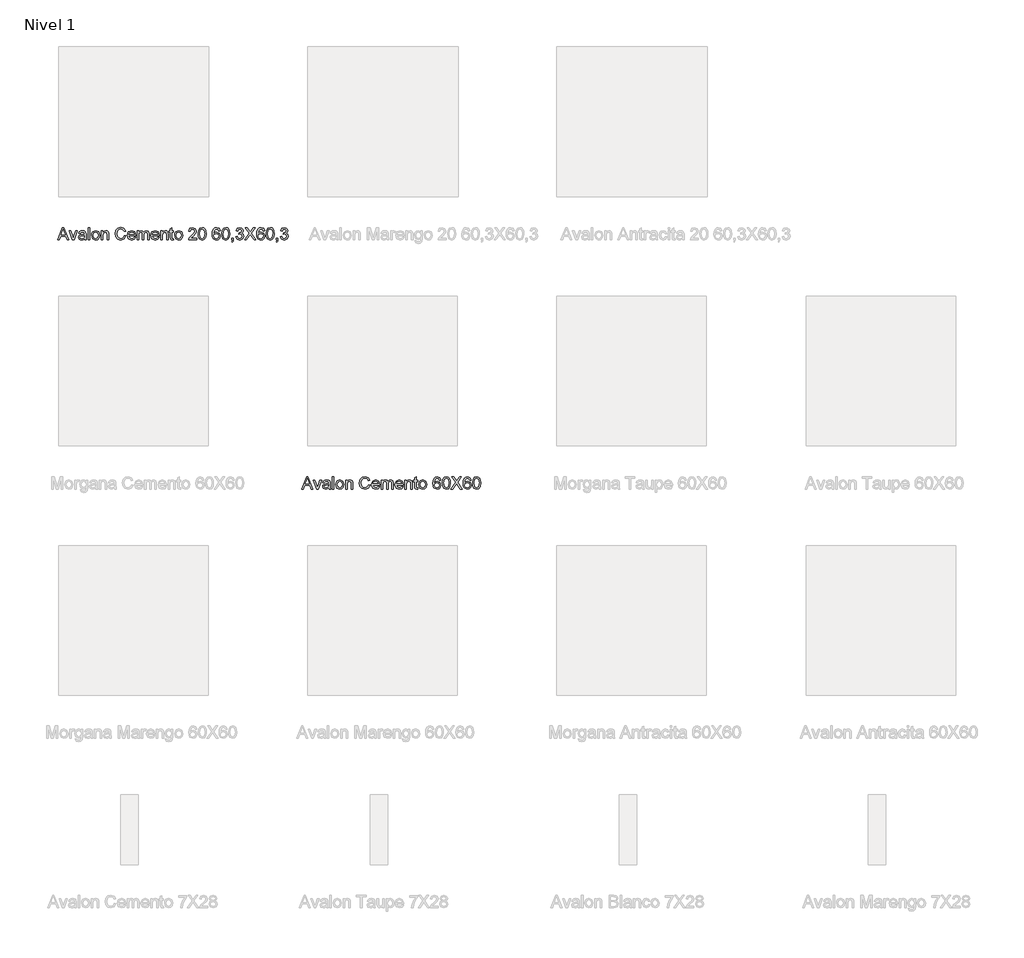
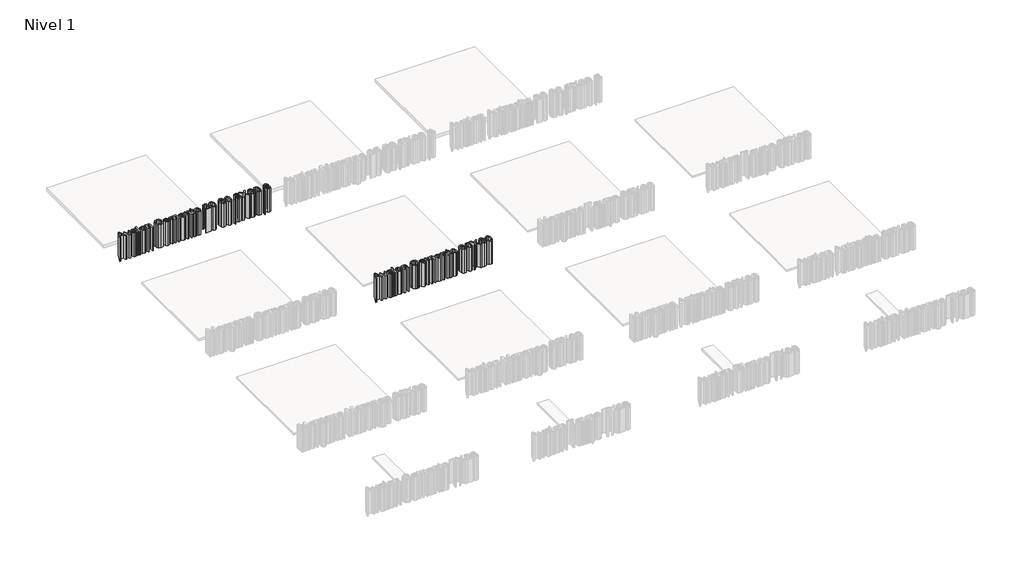
# One storey, part 8 of 11: 2 proxies.
"""IFC4 building model written with IfcOpenShell, lengths in millimetres."""

from ifc_helpers import new_model, si_unit, origin, origin_with_axes, place, context, project, spatial, polyline, outline, extrude, element, save

model = new_model("IFC4")

# Units and contexts
model_context = context("Model", 3, world=origin())
ifc_project = project(units=[si_unit("LENGTHUNIT", "METRE", prefix="MILLI")], contexts=[model_context])

# Site, building, storey
site = spatial("IfcSite", under=ifc_project)
building = spatial("IfcBuilding", under=site)
storey = spatial("IfcBuildingStorey", under=building, Name="Nivel 1", Elevation=0.0)

# Proxies
placement = place(None, origin())
element("IfcBuildingElementProxy", 1, Name="Texto de modelo 1", ObjectType="Texto de modelo 1", at=placement, inside=storey, context=model_context, shape_type="SweptSolid", body=[
    extrude(outline(polyline([(-4.1658234, -172.9229512), (15.4856189, -123.692182), (20.7260035, -123.692182), (40.3774458, -172.9229512), (33.875042, -172.9229512), (28.2380227, -157.5383359), (7.9615804, -157.5383359), (2.3365804, -172.9229512), (-4.1658234, -172.9229512)]), holes=[polyline([(10.2211958, -151.3844897), (25.9904266, -151.3844897), (21.5553304, -139.2811243), (18.1058112, -129.8460282), (15.0409073, -138.223432), (10.2211958, -151.3844897)])]), origin_with_axes(), (0.0, 0.0, 1.0), 150.0),
    extrude(outline(polyline([(55.0529266, -172.9229512), (42.3365804, -136.7691051), (48.8510035, -136.7691051), (56.5553304, -158.4277589), (58.875042, -165.7114128), (61.1466766, -158.8364128), (68.8990804, -136.7691051), (75.4135035, -136.7691051), (62.8534073, -172.9229512), (55.0529266, -172.9229512)])), origin_with_axes(), (0.0, 0.0, 1.0), 150.0),
    extrude(outline(polyline([(103.875042, -168.3075666), (97.9074939, -172.4782397), (91.3149458, -173.692182), (82.3786477, -170.7715089), (79.2596573, -163.3075666), (80.437542, -158.4397782), (83.5324939, -154.9061243), (87.8413881, -152.8868936), (93.1659073, -151.9614128), (103.8389843, -149.8460282), (102.1803304, -143.9325666), (95.3774458, -142.1537205), (89.1514843, -143.3376147), (86.1827343, -147.5383359), (80.0288881, -146.7691051), (82.6911477, -140.7594897), (88.0517246, -137.2378551), (96.170715, -135.9998743), (103.6286477, -137.0936243), (107.8413881, -139.8400186), (109.7284073, -144.0167012), (110.0288881, -149.4013166), (110.0288881, -157.0575666), (110.3413881, -167.7486724), (111.5673496, -172.9229512), (105.4135035, -172.9229512), (103.875042, -168.3075666)]), holes=[polyline([(103.875042, -155.9998743), (93.9471573, -157.8868936), (88.6526862, -158.8844897), (86.2548496, -160.5070859), (85.4135035, -162.8748743), (87.2464362, -166.2042012), (92.625042, -167.5383359), (98.8510035, -166.0659801), (102.8654266, -162.5022782), (103.8389843, -157.7426628), (103.875042, -155.9998743)])]), origin_with_axes(), (0.0, 0.0, 1.0), 150.0),
    extrude(outline(polyline([(118.4904266, -172.9229512), (118.4904266, -123.692182), (124.6442727, -123.692182), (124.6442727, -172.9229512), (118.4904266, -172.9229512)])), origin_with_axes(), (0.0, 0.0, 1.0), 150.0),
    extrude(outline(polyline([(132.3365804, -154.8460282), (133.6677102, -146.1290811), (137.6610996, -140.0022782), (148.5024458, -135.9998743), (160.1310516, -140.8736724), (164.6442727, -154.3412205), (162.6490804, -165.2907397), (156.8377823, -171.4866532), (148.5024458, -173.692182), (136.8017246, -168.8364128), (132.3365804, -154.8460282)]), holes=[polyline([(138.4904266, -154.8340089), (141.3389843, -164.3712686), (148.5024458, -167.5383359), (155.6418689, -164.3532397), (158.4904266, -154.6417012), (155.62384, -145.3207878), (148.5024458, -142.1537205), (141.3389843, -145.3087686), (138.4904266, -154.8340089)])]), origin_with_axes(), (0.0, 0.0, 1.0), 150.0),
    extrude(outline(polyline([(171.5673496, -172.9229512), (171.5673496, -136.7691051), (177.7211958, -136.7691051), (177.7211958, -141.817182), (182.4267246, -137.4542012), (188.8510035, -135.9998743), (194.6623016, -137.1717493), (198.6286477, -140.2486724), (200.4735996, -144.7739128), (200.7981189, -150.723432), (200.7981189, -172.9229512), (194.6442727, -172.9229512), (194.6442727, -151.5527589), (193.9351381, -146.1080474), (191.4291285, -143.2294416), (187.2043689, -142.1537205), (180.5276862, -144.5695859), (177.7211958, -153.7402589), (177.7211958, -172.9229512), (171.5673496, -172.9229512)])), origin_with_axes(), (0.0, 0.0, 1.0), 150.0),
    extrude(outline(polyline([(263.875042, -155.4229512), (270.0288881, -157.0094897), (262.733215, -169.4193455), (249.8485996, -173.692182), (237.0421093, -170.4590089), (229.53009, -161.0960282), (226.951965, -147.9349705), (229.8666285, -134.5575666), (238.1538881, -125.8856916), (249.9808112, -122.9229512), (262.3065323, -126.7570859), (269.2596573, -137.5503551), (263.1058112, -139.0167012), (258.0577343, -131.4505955), (249.7404266, -129.0767974), (240.1130227, -131.7090089), (234.6743208, -138.7763166), (233.1058112, -147.9229512), (234.9627823, -158.5239128), (240.7440323, -165.2967493), (249.2356189, -167.5383359), (258.6526862, -164.4854512), (263.875042, -155.4229512)])), origin_with_axes(), (0.0, 0.0, 1.0), 150.0),
    extrude(outline(polyline([(303.0336958, -162.1537205), (309.0673496, -162.9229512), (303.4243208, -170.8676628), (292.9135035, -173.692182), (280.1370612, -168.8183839), (275.4135035, -155.1465089), (280.1851381, -141.0239128), (292.5649458, -135.9998743), (304.5901862, -141.0118936), (309.2596573, -155.1104512), (309.2235996, -156.7691051), (281.5673496, -156.7691051), (285.1070131, -164.7618936), (293.0336958, -167.5383359), (299.0673496, -166.2522782), (303.0336958, -162.1537205)]), holes=[polyline([(281.5673496, -150.6152589), (303.1058112, -150.6152589), (300.6418689, -145.0383359), (292.5409073, -142.1537205), (284.9627823, -144.4554032), (281.5673496, -150.6152589)])]), origin_with_axes(), (0.0, 0.0, 1.0), 150.0),
    extrude(outline(polyline([(315.4135035, -172.9229512), (315.4135035, -136.7691051), (321.5673496, -136.7691051), (321.5673496, -142.7186243), (325.7981189, -137.8448262), (331.8197535, -135.9998743), (337.9856189, -137.8808839), (341.375042, -143.1513166), (346.1767246, -137.7877349), (352.2404266, -135.9998743), (360.2873016, -138.9746339), (363.1058112, -148.1392974), (363.1058112, -172.9229512), (356.951965, -172.9229512), (356.951965, -150.7835282), (356.3810516, -145.645307), (354.3137439, -143.1152589), (350.7981189, -142.1537205), (344.7464362, -144.6176628), (342.3365804, -152.5142974), (342.3365804, -172.9229512), (336.1827343, -172.9229512), (336.1827343, -150.098432), (334.7584554, -144.1368936), (330.0889843, -142.1537205), (325.5336958, -143.4758359), (322.5048496, -147.3460282), (321.5673496, -154.6897782), (321.5673496, -172.9229512), (315.4135035, -172.9229512)])), origin_with_axes(), (0.0, 0.0, 1.0), 150.0),
    extrude(outline(polyline([(397.6490804, -162.1537205), (403.6827343, -162.9229512), (398.0397054, -170.8676628), (387.5288881, -173.692182), (374.7524458, -168.8183839), (370.0288881, -155.1465089), (374.8005227, -141.0239128), (387.1803304, -135.9998743), (399.2055708, -141.0118936), (403.875042, -155.1104512), (403.8389843, -156.7691051), (376.1827343, -156.7691051), (379.7223977, -164.7618936), (387.6490804, -167.5383359), (393.6827343, -166.2522782), (397.6490804, -162.1537205)]), holes=[polyline([(376.1827343, -150.6152589), (397.7211958, -150.6152589), (395.2572535, -145.0383359), (387.156292, -142.1537205), (379.578167, -144.4554032), (376.1827343, -150.6152589)])]), origin_with_axes(), (0.0, 0.0, 1.0), 150.0),
    extrude(outline(polyline([(410.0288881, -172.9229512), (410.0288881, -136.7691051), (416.1827343, -136.7691051), (416.1827343, -141.817182), (420.8882631, -137.4542012), (427.312542, -135.9998743), (433.12384, -137.1717493), (437.0901862, -140.2486724), (438.9351381, -144.7739128), (439.2596573, -150.723432), (439.2596573, -172.9229512), (433.1058112, -172.9229512), (433.1058112, -151.5527589), (432.3966766, -146.1080474), (429.890667, -143.2294416), (425.6659073, -142.1537205), (418.9892246, -144.5695859), (416.1827343, -153.7402589), (416.1827343, -172.9229512), (410.0288881, -172.9229512)])), origin_with_axes(), (0.0, 0.0, 1.0), 150.0),
    extrude(outline(polyline([(460.7981189, -167.7907397), (461.5673496, -173.1032397), (456.9639843, -173.692182), (451.8077343, -172.6705474), (449.2356189, -169.9902589), (448.4904266, -163.0070859), (448.4904266, -142.9229512), (443.875042, -142.9229512), (443.875042, -136.7691051), (448.4904266, -136.7691051), (448.4904266, -127.9830474), (454.6442727, -124.3652589), (454.6442727, -136.7691051), (460.7981189, -136.7691051), (460.7981189, -142.9229512), (454.6442727, -142.9229512), (454.6442727, -162.8267974), (454.968792, -165.9998743), (458.1178304, -167.5383359), (460.7981189, -167.7907397)])), origin_with_axes(), (0.0, 0.0, 1.0), 150.0),
    extrude(outline(polyline([(465.4135035, -154.8460282), (466.7446333, -146.1290811), (470.7380227, -140.0022782), (481.5793689, -135.9998743), (493.2079746, -140.8736724), (497.7211958, -154.3412205), (495.7260035, -165.2907397), (489.9147054, -171.4866532), (481.5793689, -173.692182), (469.8786477, -168.8364128), (465.4135035, -154.8460282)]), holes=[polyline([(471.5673496, -154.8340089), (474.4159073, -164.3712686), (481.5793689, -167.5383359), (488.718792, -164.3532397), (491.5673496, -154.6417012), (488.7007631, -145.3207878), (481.5793689, -142.1537205), (474.4159073, -145.3087686), (471.5673496, -154.8340089)])]), origin_with_axes(), (0.0, 0.0, 1.0), 150.0),
    extrude(outline(polyline([(553.875042, -166.7691051), (553.875042, -172.9229512), (521.5673496, -172.9229512), (522.2284073, -168.6801628), (525.9663881, -162.1477109), (533.670715, -155.0142974), (544.295715, -144.7618936), (546.951965, -137.7907397), (544.4459554, -132.1477109), (537.9014843, -129.8460282), (531.0805708, -132.0936243), (528.4904266, -138.3075666), (522.3365804, -137.5383359), (527.0541285, -127.2378551), (538.0336958, -123.692182), (549.0493208, -127.6344897), (553.1058112, -137.4181436), (552.0120612, -143.2534801), (548.3762439, -149.2871339), (539.5601381, -157.7186243), (532.4808112, -163.6380955), (529.7043689, -166.7691051), (553.875042, -166.7691051)])), origin_with_axes(), (0.0, 0.0, 1.0), 150.0),
    extrude(outline(polyline([(560.0288881, -148.7042012), (561.8377823, -134.5395378), (567.2103785, -126.3724705), (576.1827343, -123.692182), (583.3702343, -125.2787205), (588.3341766, -129.8520378), (591.218792, -137.1356916), (592.3365804, -148.7042012), (590.545715, -162.8087686), (585.1911477, -170.9938647), (576.1827343, -173.692182), (564.9327343, -169.004682), (561.2548496, -160.6783599), (560.0288881, -148.7042012)]), holes=[polyline([(566.1827343, -148.692182), (569.0673496, -163.9746339), (576.1827343, -167.5383359), (583.2981189, -163.9626147), (586.1827343, -148.692182), (583.3942727, -133.5840089), (576.1106189, -129.8460282), (569.1635035, -133.1392974), (566.1827343, -148.692182)])]), origin_with_axes(), (0.0, 0.0, 1.0), 150.0),
    extrude(outline(polyline([(648.4904266, -136.7691051), (642.3365804, -137.5383359), (640.0048496, -132.4061243), (633.8389843, -129.8460282), (628.2860996, -131.3364128), (624.0853785, -136.9313647), (622.3365804, -147.8989128), (627.7632631, -142.989057), (634.4880227, -141.3844897), (644.9447535, -145.7715089), (649.2596573, -157.1056436), (647.2284073, -165.5972301), (641.639465, -171.6068455), (633.5745612, -173.692182), (621.0324939, -168.1633359), (617.3951742, -160.8436243), (616.1827343, -149.942182), (617.5288881, -137.6855714), (621.5673496, -129.3051628), (627.0811718, -125.0954272), (634.2235996, -123.692182), (643.9471573, -127.1657397), (648.4904266, -136.7691051)]), holes=[polyline([(622.3365804, -157.0094897), (623.7608593, -162.3400186), (627.546917, -166.2102109), (633.093792, -167.5383359), (640.3473977, -164.785932), (643.1058112, -157.3099705), (640.3834554, -150.1525186), (632.8413881, -147.5383359), (625.3954746, -150.1525186), (622.3365804, -157.0094897)])]), origin_with_axes(), (0.0, 0.0, 1.0), 150.0),
    extrude(outline(polyline([(654.6442727, -148.7042012), (656.453167, -134.5395378), (661.8257631, -126.3724705), (670.7981189, -123.692182), (677.9856189, -125.2787205), (682.9495612, -129.8520378), (685.8341766, -137.1356916), (686.951965, -148.7042012), (685.1610996, -162.8087686), (679.8065323, -170.9938647), (670.7981189, -173.692182), (659.5481189, -169.004682), (655.8702343, -160.6783599), (654.6442727, -148.7042012)]), holes=[polyline([(660.7981189, -148.692182), (663.6827343, -163.9746339), (670.7981189, -167.5383359), (677.9135035, -163.9626147), (680.7981189, -148.692182), (678.0096573, -133.5840089), (670.7260035, -129.8460282), (663.7788881, -133.1392974), (660.7981189, -148.692182)])]), origin_with_axes(), (0.0, 0.0, 1.0), 150.0),
    extrude(outline(polyline([(695.4135035, -172.9229512), (695.4135035, -166.7691051), (701.5673496, -166.7691051), (701.5673496, -172.9229512), (700.4615804, -179.2150186), (696.951965, -182.9229512), (695.4135035, -180.6152589), (697.6731189, -177.9590089), (698.4784073, -172.9229512), (695.4135035, -172.9229512)])), origin_with_axes(), (0.0, 0.0, 1.0), 150.0),
    extrude(outline(polyline([(711.5673496, -159.8460282), (717.7211958, -159.0767974), (721.1166285, -165.5551628), (727.468792, -167.5383359), (734.9447535, -164.8099705), (737.7211958, -158.0551628), (734.968792, -151.6909801), (727.9735996, -149.1729512), (723.6586958, -149.8460282), (724.343792, -143.692182), (732.312542, -141.9974705), (735.4135035, -136.5647782), (733.1659073, -131.7510762), (727.3726381, -129.8460282), (721.5072535, -131.7691051), (718.4904266, -137.5383359), (712.3365804, -136.7691051), (717.3726381, -127.1176628), (727.156292, -123.692182), (734.578167, -125.3808839), (739.7704746, -129.9962686), (741.5673496, -136.2042012), (739.8606189, -141.8772782), (734.812542, -145.9517974), (741.5192727, -150.1585282), (743.875042, -158.1633359), (739.1635035, -169.1729512), (727.2524458, -173.692182), (716.4591766, -169.8340089), (711.5673496, -159.8460282)])), origin_with_axes(), (0.0, 0.0, 1.0), 150.0),
    extrude(outline(polyline([(746.1827343, -172.9229512), (765.1610996, -146.0960282), (749.2596573, -123.692182), (756.639465, -123.692182), (765.593792, -136.3003551), (768.6106189, -141.2162205), (772.1442727, -136.2162205), (781.0024458, -123.692182), (788.4904266, -123.692182), (772.5889843, -146.1681436), (791.5673496, -172.9229512), (784.187542, -172.9229512), (771.5433112, -155.0864128), (768.9110996, -151.3844897), (766.014465, -155.4469897), (753.670715, -172.9229512), (746.1827343, -172.9229512)])), origin_with_axes(), (0.0, 0.0, 1.0), 150.0),
    extrude(outline(polyline([(826.951965, -136.7691051), (820.7981189, -137.5383359), (818.4663881, -132.4061243), (812.3005227, -129.8460282), (806.7476381, -131.3364128), (802.546917, -136.9313647), (800.7981189, -147.8989128), (806.2248016, -142.989057), (812.9495612, -141.3844897), (823.406292, -145.7715089), (827.7211958, -157.1056436), (825.6899458, -165.5972301), (820.1010035, -171.6068455), (812.0360996, -173.692182), (799.4940323, -168.1633359), (795.8567126, -160.8436243), (794.6442727, -149.942182), (795.9904266, -137.6855714), (800.0288881, -129.3051628), (805.5427102, -125.0954272), (812.6851381, -123.692182), (822.4086958, -127.1657397), (826.951965, -136.7691051)]), holes=[polyline([(800.7981189, -157.0094897), (802.2223977, -162.3400186), (806.0084554, -166.2102109), (811.5553304, -167.5383359), (818.8089362, -164.785932), (821.5673496, -157.3099705), (818.8449939, -150.1525186), (811.3029266, -147.5383359), (803.8570131, -150.1525186), (800.7981189, -157.0094897)])]), origin_with_axes(), (0.0, 0.0, 1.0), 150.0),
    extrude(outline(polyline([(833.1058112, -148.7042012), (834.9147054, -134.5395378), (840.2873016, -126.3724705), (849.2596573, -123.692182), (856.4471573, -125.2787205), (861.4110996, -129.8520378), (864.295715, -137.1356916), (865.4135035, -148.7042012), (863.6226381, -162.8087686), (858.2680708, -170.9938647), (849.2596573, -173.692182), (838.0096573, -169.004682), (834.3317727, -160.6783599), (833.1058112, -148.7042012)]), holes=[polyline([(839.2596573, -148.692182), (842.1442727, -163.9746339), (849.2596573, -167.5383359), (856.375042, -163.9626147), (859.2596573, -148.692182), (856.4711958, -133.5840089), (849.187542, -129.8460282), (842.2404266, -133.1392974), (839.2596573, -148.692182)])]), origin_with_axes(), (0.0, 0.0, 1.0), 150.0),
    extrude(outline(polyline([(873.875042, -172.9229512), (873.875042, -166.7691051), (880.0288881, -166.7691051), (880.0288881, -172.9229512), (878.9231189, -179.2150186), (875.4135035, -182.9229512), (873.875042, -180.6152589), (876.1346573, -177.9590089), (876.9399458, -172.9229512), (873.875042, -172.9229512)])), origin_with_axes(), (0.0, 0.0, 1.0), 150.0),
    extrude(outline(polyline([(890.0288881, -159.8460282), (896.1827343, -159.0767974), (899.578167, -165.5551628), (905.9303304, -167.5383359), (913.406292, -164.8099705), (916.1827343, -158.0551628), (913.4303304, -151.6909801), (906.4351381, -149.1729512), (902.1202343, -149.8460282), (902.8053304, -143.692182), (910.7740804, -141.9974705), (913.875042, -136.5647782), (911.6274458, -131.7510762), (905.8341766, -129.8460282), (899.968792, -131.7691051), (896.951965, -137.5383359), (890.7981189, -136.7691051), (895.8341766, -127.1176628), (905.6178304, -123.692182), (913.0397054, -125.3808839), (918.2320131, -129.9962686), (920.0288881, -136.2042012), (918.3221573, -141.8772782), (913.2740804, -145.9517974), (919.9808112, -150.1585282), (922.3365804, -158.1633359), (917.625042, -169.1729512), (905.7139843, -173.692182), (894.920715, -169.8340089), (890.0288881, -159.8460282)])), origin_with_axes(), (0.0, 0.0, 1.0), 150.0),
])
element("IfcBuildingElementProxy", 2, Name="Texto de modelo 1", ObjectType="Texto de modelo 1", at=placement, inside=storey, context=model_context, shape_type="SweptSolid", body=[
    extrude(outline(polyline([(975.8341766, -1172.9229512), (995.4856189, -1123.692182), (1000.7260035, -1123.692182), (1020.3774458, -1172.9229512), (1013.875042, -1172.9229512), (1008.2380227, -1157.5383359), (987.9615804, -1157.5383359), (982.3365804, -1172.9229512), (975.8341766, -1172.9229512)]), holes=[polyline([(990.2211958, -1151.3844897), (1005.9904266, -1151.3844897), (1001.5553304, -1139.2811243), (998.1058112, -1129.8460282), (995.0409073, -1138.223432), (990.2211958, -1151.3844897)])]), origin_with_axes(), (0.0, 0.0, 1.0), 150.0),
    extrude(outline(polyline([(1035.0529266, -1172.9229512), (1022.3365804, -1136.7691051), (1028.8510035, -1136.7691051), (1036.5553304, -1158.4277589), (1038.875042, -1165.7114128), (1041.1466766, -1158.8364128), (1048.8990804, -1136.7691051), (1055.4135035, -1136.7691051), (1042.8534073, -1172.9229512), (1035.0529266, -1172.9229512)])), origin_with_axes(), (0.0, 0.0, 1.0), 150.0),
    extrude(outline(polyline([(1083.875042, -1168.3075666), (1077.9074939, -1172.4782397), (1071.3149458, -1173.692182), (1062.3786477, -1170.7715089), (1059.2596573, -1163.3075666), (1060.437542, -1158.4397782), (1063.5324939, -1154.9061243), (1067.8413881, -1152.8868936), (1073.1659073, -1151.9614128), (1083.8389843, -1149.8460282), (1082.1803304, -1143.9325666), (1075.3774458, -1142.1537205), (1069.1514843, -1143.3376147), (1066.1827343, -1147.5383359), (1060.0288881, -1146.7691051), (1062.6911477, -1140.7594897), (1068.0517246, -1137.2378551), (1076.170715, -1135.9998743), (1083.6286477, -1137.0936243), (1087.8413881, -1139.8400186), (1089.7284073, -1144.0167012), (1090.0288881, -1149.4013166), (1090.0288881, -1157.0575666), (1090.3413881, -1167.7486724), (1091.5673496, -1172.9229512), (1085.4135035, -1172.9229512), (1083.875042, -1168.3075666)]), holes=[polyline([(1083.875042, -1155.9998743), (1073.9471573, -1157.8868936), (1068.6526862, -1158.8844897), (1066.2548496, -1160.5070859), (1065.4135035, -1162.8748743), (1067.2464362, -1166.2042012), (1072.625042, -1167.5383359), (1078.8510035, -1166.0659801), (1082.8654266, -1162.5022782), (1083.8389843, -1157.7426628), (1083.875042, -1155.9998743)])]), origin_with_axes(), (0.0, 0.0, 1.0), 150.0),
    extrude(outline(polyline([(1098.4904266, -1172.9229512), (1098.4904266, -1123.692182), (1104.6442727, -1123.692182), (1104.6442727, -1172.9229512), (1098.4904266, -1172.9229512)])), origin_with_axes(), (0.0, 0.0, 1.0), 150.0),
    extrude(outline(polyline([(1112.3365804, -1154.8460282), (1113.6677102, -1146.1290811), (1117.6610996, -1140.0022782), (1128.5024458, -1135.9998743), (1140.1310516, -1140.8736724), (1144.6442727, -1154.3412205), (1142.6490804, -1165.2907397), (1136.8377823, -1171.4866532), (1128.5024458, -1173.692182), (1116.8017246, -1168.8364128), (1112.3365804, -1154.8460282)]), holes=[polyline([(1118.4904266, -1154.8340089), (1121.3389843, -1164.3712686), (1128.5024458, -1167.5383359), (1135.6418689, -1164.3532397), (1138.4904266, -1154.6417012), (1135.62384, -1145.3207878), (1128.5024458, -1142.1537205), (1121.3389843, -1145.3087686), (1118.4904266, -1154.8340089)])]), origin_with_axes(), (0.0, 0.0, 1.0), 150.0),
    extrude(outline(polyline([(1151.5673496, -1172.9229512), (1151.5673496, -1136.7691051), (1157.7211958, -1136.7691051), (1157.7211958, -1141.817182), (1162.4267246, -1137.4542012), (1168.8510035, -1135.9998743), (1174.6623016, -1137.1717493), (1178.6286477, -1140.2486724), (1180.4735996, -1144.7739128), (1180.7981189, -1150.723432), (1180.7981189, -1172.9229512), (1174.6442727, -1172.9229512), (1174.6442727, -1151.5527589), (1173.9351381, -1146.1080474), (1171.4291285, -1143.2294416), (1167.2043689, -1142.1537205), (1160.5276862, -1144.5695859), (1157.7211958, -1153.7402589), (1157.7211958, -1172.9229512), (1151.5673496, -1172.9229512)])), origin_with_axes(), (0.0, 0.0, 1.0), 150.0),
    extrude(outline(polyline([(1243.875042, -1155.4229512), (1250.0288881, -1157.0094897), (1242.733215, -1169.4193455), (1229.8485996, -1173.692182), (1217.0421093, -1170.4590089), (1209.53009, -1161.0960282), (1206.951965, -1147.9349705), (1209.8666285, -1134.5575666), (1218.1538881, -1125.8856916), (1229.9808112, -1122.9229512), (1242.3065323, -1126.7570859), (1249.2596573, -1137.5503551), (1243.1058112, -1139.0167012), (1238.0577343, -1131.4505955), (1229.7404266, -1129.0767974), (1220.1130227, -1131.7090089), (1214.6743208, -1138.7763166), (1213.1058112, -1147.9229512), (1214.9627823, -1158.5239128), (1220.7440323, -1165.2967493), (1229.2356189, -1167.5383359), (1238.6526862, -1164.4854512), (1243.875042, -1155.4229512)])), origin_with_axes(), (0.0, 0.0, 1.0), 150.0),
    extrude(outline(polyline([(1283.0336958, -1162.1537205), (1289.0673496, -1162.9229512), (1283.4243208, -1170.8676628), (1272.9135035, -1173.692182), (1260.1370612, -1168.8183839), (1255.4135035, -1155.1465089), (1260.1851381, -1141.0239128), (1272.5649458, -1135.9998743), (1284.5901862, -1141.0118936), (1289.2596573, -1155.1104512), (1289.2235996, -1156.7691051), (1261.5673496, -1156.7691051), (1265.1070131, -1164.7618936), (1273.0336958, -1167.5383359), (1279.0673496, -1166.2522782), (1283.0336958, -1162.1537205)]), holes=[polyline([(1261.5673496, -1150.6152589), (1283.1058112, -1150.6152589), (1280.6418689, -1145.0383359), (1272.5409073, -1142.1537205), (1264.9627823, -1144.4554032), (1261.5673496, -1150.6152589)])]), origin_with_axes(), (0.0, 0.0, 1.0), 150.0),
    extrude(outline(polyline([(1295.4135035, -1172.9229512), (1295.4135035, -1136.7691051), (1301.5673496, -1136.7691051), (1301.5673496, -1142.7186243), (1305.7981189, -1137.8448262), (1311.8197535, -1135.9998743), (1317.9856189, -1137.8808839), (1321.375042, -1143.1513166), (1326.1767246, -1137.7877349), (1332.2404266, -1135.9998743), (1340.2873016, -1138.9746339), (1343.1058112, -1148.1392974), (1343.1058112, -1172.9229512), (1336.951965, -1172.9229512), (1336.951965, -1150.7835282), (1336.3810516, -1145.645307), (1334.3137439, -1143.1152589), (1330.7981189, -1142.1537205), (1324.7464362, -1144.6176628), (1322.3365804, -1152.5142974), (1322.3365804, -1172.9229512), (1316.1827343, -1172.9229512), (1316.1827343, -1150.098432), (1314.7584554, -1144.1368936), (1310.0889843, -1142.1537205), (1305.5336958, -1143.4758359), (1302.5048496, -1147.3460282), (1301.5673496, -1154.6897782), (1301.5673496, -1172.9229512), (1295.4135035, -1172.9229512)])), origin_with_axes(), (0.0, 0.0, 1.0), 150.0),
    extrude(outline(polyline([(1377.6490804, -1162.1537205), (1383.6827343, -1162.9229512), (1378.0397054, -1170.8676628), (1367.5288881, -1173.692182), (1354.7524458, -1168.8183839), (1350.0288881, -1155.1465089), (1354.8005227, -1141.0239128), (1367.1803304, -1135.9998743), (1379.2055708, -1141.0118936), (1383.875042, -1155.1104512), (1383.8389843, -1156.7691051), (1356.1827343, -1156.7691051), (1359.7223977, -1164.7618936), (1367.6490804, -1167.5383359), (1373.6827343, -1166.2522782), (1377.6490804, -1162.1537205)]), holes=[polyline([(1356.1827343, -1150.6152589), (1377.7211958, -1150.6152589), (1375.2572535, -1145.0383359), (1367.156292, -1142.1537205), (1359.578167, -1144.4554032), (1356.1827343, -1150.6152589)])]), origin_with_axes(), (0.0, 0.0, 1.0), 150.0),
    extrude(outline(polyline([(1390.0288881, -1172.9229512), (1390.0288881, -1136.7691051), (1396.1827343, -1136.7691051), (1396.1827343, -1141.817182), (1400.8882631, -1137.4542012), (1407.312542, -1135.9998743), (1413.12384, -1137.1717493), (1417.0901862, -1140.2486724), (1418.9351381, -1144.7739128), (1419.2596573, -1150.723432), (1419.2596573, -1172.9229512), (1413.1058112, -1172.9229512), (1413.1058112, -1151.5527589), (1412.3966766, -1146.1080474), (1409.890667, -1143.2294416), (1405.6659073, -1142.1537205), (1398.9892246, -1144.5695859), (1396.1827343, -1153.7402589), (1396.1827343, -1172.9229512), (1390.0288881, -1172.9229512)])), origin_with_axes(), (0.0, 0.0, 1.0), 150.0),
    extrude(outline(polyline([(1440.7981189, -1167.7907397), (1441.5673496, -1173.1032397), (1436.9639843, -1173.692182), (1431.8077343, -1172.6705474), (1429.2356189, -1169.9902589), (1428.4904266, -1163.0070859), (1428.4904266, -1142.9229512), (1423.875042, -1142.9229512), (1423.875042, -1136.7691051), (1428.4904266, -1136.7691051), (1428.4904266, -1127.9830474), (1434.6442727, -1124.3652589), (1434.6442727, -1136.7691051), (1440.7981189, -1136.7691051), (1440.7981189, -1142.9229512), (1434.6442727, -1142.9229512), (1434.6442727, -1162.8267974), (1434.968792, -1165.9998743), (1438.1178304, -1167.5383359), (1440.7981189, -1167.7907397)])), origin_with_axes(), (0.0, 0.0, 1.0), 150.0),
    extrude(outline(polyline([(1445.4135035, -1154.8460282), (1446.7446333, -1146.1290811), (1450.7380227, -1140.0022782), (1461.5793689, -1135.9998743), (1473.2079746, -1140.8736724), (1477.7211958, -1154.3412205), (1475.7260035, -1165.2907397), (1469.9147054, -1171.4866532), (1461.5793689, -1173.692182), (1449.8786477, -1168.8364128), (1445.4135035, -1154.8460282)]), holes=[polyline([(1451.5673496, -1154.8340089), (1454.4159073, -1164.3712686), (1461.5793689, -1167.5383359), (1468.718792, -1164.3532397), (1471.5673496, -1154.6417012), (1468.7007631, -1145.3207878), (1461.5793689, -1142.1537205), (1454.4159073, -1145.3087686), (1451.5673496, -1154.8340089)])]), origin_with_axes(), (0.0, 0.0, 1.0), 150.0),
    extrude(outline(polyline([(1533.875042, -1136.7691051), (1527.7211958, -1137.5383359), (1525.389465, -1132.4061243), (1519.2235996, -1129.8460282), (1513.670715, -1131.3364128), (1509.4699939, -1136.9313647), (1507.7211958, -1147.8989128), (1513.1478785, -1142.989057), (1519.8726381, -1141.3844897), (1530.3293689, -1145.7715089), (1534.6442727, -1157.1056436), (1532.6130227, -1165.5972301), (1527.0240804, -1171.6068455), (1518.9591766, -1173.692182), (1506.4171093, -1168.1633359), (1502.7797896, -1160.8436243), (1501.5673496, -1149.942182), (1502.9135035, -1137.6855714), (1506.951965, -1129.3051628), (1512.4657871, -1125.0954272), (1519.608215, -1123.692182), (1529.3317727, -1127.1657397), (1533.875042, -1136.7691051)]), holes=[polyline([(1507.7211958, -1157.0094897), (1509.1454746, -1162.3400186), (1512.9315323, -1166.2102109), (1518.4784073, -1167.5383359), (1525.7320131, -1164.785932), (1528.4904266, -1157.3099705), (1525.7680708, -1150.1525186), (1518.2260035, -1147.5383359), (1510.78009, -1150.1525186), (1507.7211958, -1157.0094897)])]), origin_with_axes(), (0.0, 0.0, 1.0), 150.0),
    extrude(outline(polyline([(1540.0288881, -1148.7042012), (1541.8377823, -1134.5395378), (1547.2103785, -1126.3724705), (1556.1827343, -1123.692182), (1563.3702343, -1125.2787205), (1568.3341766, -1129.8520378), (1571.218792, -1137.1356916), (1572.3365804, -1148.7042012), (1570.545715, -1162.8087686), (1565.1911477, -1170.9938647), (1556.1827343, -1173.692182), (1544.9327343, -1169.004682), (1541.2548496, -1160.6783599), (1540.0288881, -1148.7042012)]), holes=[polyline([(1546.1827343, -1148.692182), (1549.0673496, -1163.9746339), (1556.1827343, -1167.5383359), (1563.2981189, -1163.9626147), (1566.1827343, -1148.692182), (1563.3942727, -1133.5840089), (1556.1106189, -1129.8460282), (1549.1635035, -1133.1392974), (1546.1827343, -1148.692182)])]), origin_with_axes(), (0.0, 0.0, 1.0), 150.0),
    extrude(outline(polyline([(1574.6442727, -1172.9229512), (1593.6226381, -1146.0960282), (1577.7211958, -1123.692182), (1585.1010035, -1123.692182), (1594.0553304, -1136.3003551), (1597.0721573, -1141.2162205), (1600.6058112, -1136.2162205), (1609.4639843, -1123.692182), (1616.951965, -1123.692182), (1601.0505227, -1146.1681436), (1620.0288881, -1172.9229512), (1612.6490804, -1172.9229512), (1600.0048496, -1155.0864128), (1597.3726381, -1151.3844897), (1594.4760035, -1155.4469897), (1582.1322535, -1172.9229512), (1574.6442727, -1172.9229512)])), origin_with_axes(), (0.0, 0.0, 1.0), 150.0),
    extrude(outline(polyline([(1655.4135035, -1136.7691051), (1649.2596573, -1137.5383359), (1646.9279266, -1132.4061243), (1640.7620612, -1129.8460282), (1635.2091766, -1131.3364128), (1631.0084554, -1136.9313647), (1629.2596573, -1147.8989128), (1634.68634, -1142.989057), (1641.4110996, -1141.3844897), (1651.8678304, -1145.7715089), (1656.1827343, -1157.1056436), (1654.1514843, -1165.5972301), (1648.562542, -1171.6068455), (1640.4976381, -1173.692182), (1627.9555708, -1168.1633359), (1624.3182511, -1160.8436243), (1623.1058112, -1149.942182), (1624.451965, -1137.6855714), (1628.4904266, -1129.3051628), (1634.0042487, -1125.0954272), (1641.1466766, -1123.692182), (1650.8702343, -1127.1657397), (1655.4135035, -1136.7691051)]), holes=[polyline([(1629.2596573, -1157.0094897), (1630.6839362, -1162.3400186), (1634.4699939, -1166.2102109), (1640.0168689, -1167.5383359), (1647.2704746, -1164.785932), (1650.0288881, -1157.3099705), (1647.3065323, -1150.1525186), (1639.764465, -1147.5383359), (1632.3185516, -1150.1525186), (1629.2596573, -1157.0094897)])]), origin_with_axes(), (0.0, 0.0, 1.0), 150.0),
    extrude(outline(polyline([(1661.5673496, -1148.7042012), (1663.3762439, -1134.5395378), (1668.74884, -1126.3724705), (1677.7211958, -1123.692182), (1684.9086958, -1125.2787205), (1689.8726381, -1129.8520378), (1692.7572535, -1137.1356916), (1693.875042, -1148.7042012), (1692.0841766, -1162.8087686), (1686.7296093, -1170.9938647), (1677.7211958, -1173.692182), (1666.4711958, -1169.004682), (1662.7933112, -1160.6783599), (1661.5673496, -1148.7042012)]), holes=[polyline([(1667.7211958, -1148.692182), (1670.6058112, -1163.9746339), (1677.7211958, -1167.5383359), (1684.8365804, -1163.9626147), (1687.7211958, -1148.692182), (1684.9327343, -1133.5840089), (1677.6490804, -1129.8460282), (1670.701965, -1133.1392974), (1667.7211958, -1148.692182)])]), origin_with_axes(), (0.0, 0.0, 1.0), 150.0),
])

save(model, "model.ifc")
